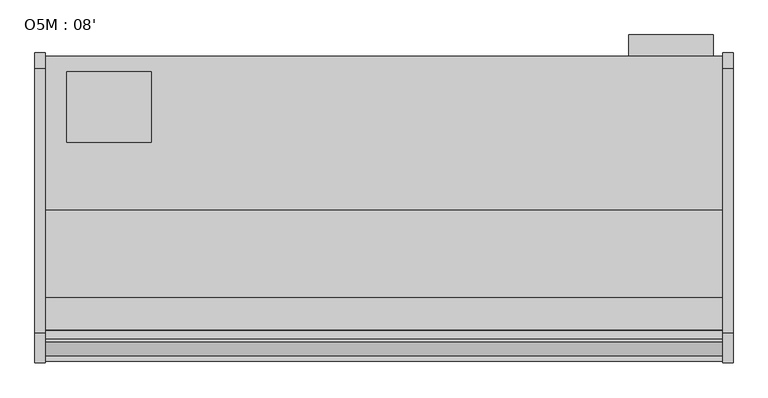
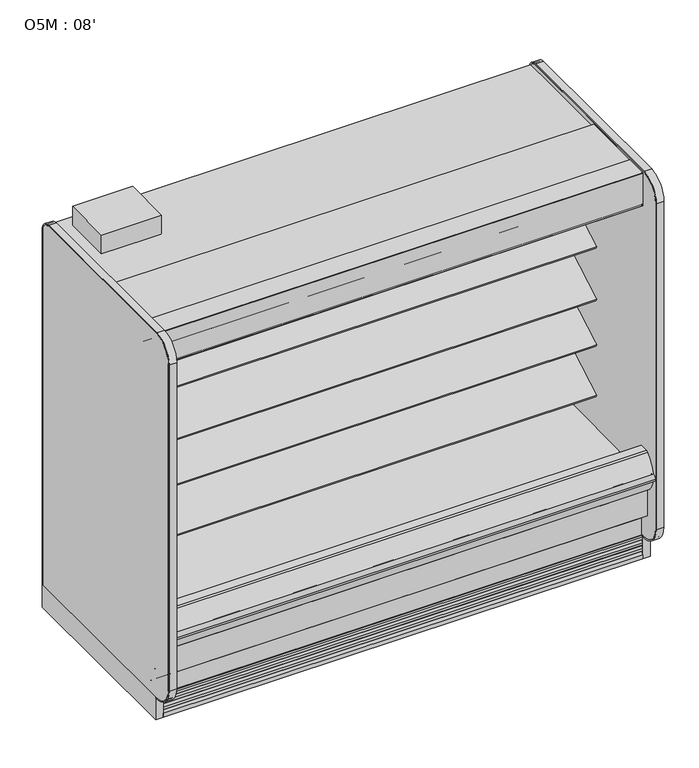
"""IFC4 building model written with IfcOpenShell, lengths in millimetres: proxy geometry, O5M : 08'."""

from ifc_helpers import new_model, si_unit, point, frame, frame_2d, origin, origin_with_axes, place, context, project, spatial, polyline, circle_curve, trimmed, segment, composite_curve, outline, extrude, faceted_brep, source, transform, mapped, element, save
from ifc_brep_helpers import plane_surface, cylinder_surface, revolved_surface, advanced_brep


def o5m_08_895fdb85(model_context):
    return source(origin(), model_context, "Body", "SolidModel", [
        extrude(outline(polyline([(2405.2746572, -325.3089273), (2405.2746572, -401.5089273), (2100.4156609, -401.5089273), (2100.4156609, -325.3089273), (2405.2746572, -325.3089273)])), frame((0.0, 0.0, 487.7641214), z_axis=(0.0, 0.0, 1.0), x_axis=(1.0, 0.0, 0.0)), (0.0, 0.0, 1.0), 1371.6),
        extrude(outline(polyline([(381.0, -458.6589273), (381.0, -712.6589273), (76.2, -712.6589273), (76.2, -458.6589273), (381.0, -458.6589273)])), frame((0.0, 0.0, 2053.8264246), z_axis=(0.0, 0.0, 1.0), x_axis=(1.0, 0.0, 0.0)), (0.0, 0.0, 1.0), 101.6),
        extrude(outline(composite_curve([segment(polyline([(-1223.3628541, 1962.3210235), (-1255.895115, 1950.4802489)]), True, "CONTINUOUS"), segment(trimmed(circle_curve(frame_2d((-1256.3757176, 1951.8006938)), 1.4051881), [point((-1255.895115, 1950.4802489))], [point((-1256.9695758, 1950.5271609))], False, "CARTESIAN"), True, "CONTINUOUS"), segment(polyline([(-1256.9695758, 1950.5271609), (-1280.8329852, 1961.6548515)]), True, "CONTINUOUS"), segment(trimmed(circle_curve(frame_2d((-1281.445949, 1960.3403465)), 1.4503958), [point((-1280.8329852, 1961.6548515))], [point((-1281.7308358, 1961.7624883))], True, "CARTESIAN"), True, "CONTINUOUS"), segment(polyline([(-1281.7308358, 1961.7624883), (-1385.7279137, 1933.8965553), (-1386.0503089, 1932.9043249), (-1386.0503089, 1919.5570618), (-1386.9647089, 1919.5570618), (-1386.9647089, 1903.1893853)]), True, "CONTINUOUS"), segment(trimmed(circle_curve(frame_2d((-1385.3772089, 1903.1893853)), 1.5875), [point((-1386.9647089, 1903.1893853))], [point((-1385.8940483, 1901.6883745))], True, "CARTESIAN"), True, "CONTINUOUS"), segment(polyline([(-1385.8940483, 1901.6883745), (-1375.7025605, 1898.1791638)]), True, "CONTINUOUS"), segment(trimmed(circle_curve(frame_2d((-1375.1857211, 1899.6801746)), 1.5875), [point((-1375.7025605, 1898.1791638))], [point((-1374.0631891, 1898.5576426))], True, "CARTESIAN"), True, "CONTINUOUS"), segment(polyline([(-1374.0631891, 1898.5576426), (-1370.6686523, 1901.9521794), (-1370.1043685, 1901.3878956), (-1373.6142806, 1898.1085254)]), True, "CONTINUOUS"), segment(trimmed(circle_curve(frame_2d((-1375.1856584, 1899.6799031)), 2.2222637), [point((-1373.6142806, 1898.1085254))], [point((-1375.9092963, 1897.5787596))], False, "CARTESIAN"), True, "CONTINUOUS"), segment(polyline([(-1375.9092963, 1897.5787596), (-1386.1540366, 1901.1070681)]), True, "CONTINUOUS"), segment(trimmed(circle_curve(frame_2d((-1385.3772089, 1903.1893853)), 2.2225), [point((-1386.1540366, 1901.1070681))], [point((-1387.5997089, 1903.1893853))], False, "CARTESIAN"), True, "CONTINUOUS"), segment(polyline([(-1387.5997089, 1903.1893853), (-1387.5997089, 2005.4901368), (-1352.415, 2053.8264246), (-1280.5248155, 2053.8264246), (-1280.5248155, 2003.6360246), (-1220.831024, 2003.6360246), (-1220.831024, 1914.23035)]), True, "CONTINUOUS"), segment(trimmed(circle_curve(frame_2d((-1218.9441858, 1914.23035)), 1.8868382), [point((-1220.831024, 1914.23035))], [point((-1219.3143335, 1912.3801746))], True, "CARTESIAN"), True, "CONTINUOUS"), segment(polyline([(-1219.3143335, 1912.3801746), (-1211.3098155, 1912.3801746), (-1211.3098155, 1911.5761369), (-1220.1967179, 1911.5761369)]), True, "CONTINUOUS"), segment(trimmed(circle_curve(frame_2d((-1220.1967179, 1913.8074915)), 2.2313546), [point((-1220.1967179, 1911.5761369))], [point((-1222.4223155, 1913.9676746))], False, "CARTESIAN"), True, "CONTINUOUS"), segment(polyline([(-1222.4223155, 1913.9676746), (-1222.4223155, 1917.7806084), (-1223.2619623, 1917.5556257), (-1229.5259839, 1917.5556257), (-1229.5259839, 1918.4700257), (-1223.4631915, 1918.4700257), (-1222.7791089, 1918.864981), (-1222.7791089, 1961.9122807)]), True, "CONTINUOUS"), segment(trimmed(circle_curve(frame_2d((-1223.2140839, 1961.9122807)), 0.434975), [point((-1222.7791089, 1961.9122807))], [point((-1223.3628541, 1962.3210235))], True, "CARTESIAN"), True, "CONTINUOUS")], self_intersect=False)), frame((0.0, 0.0, 0.0), z_axis=(1.0, 0.0, 0.0), x_axis=(0.0, 1.0, 0.0)), (0.0, 0.0, 1.0), 2438.4),
        extrude(outline(composite_curve([segment(polyline([(-1272.4996089, 2072.8764246), (-1272.4996089, 2072.0890246), (-1386.8059589, 2072.0890246)]), True, "CONTINUOUS"), segment(trimmed(circle_curve(frame_2d((-1386.8059589, 2071.2952746)), 0.79375), [point((-1386.8059589, 2072.0890246))], [point((-1387.5997089, 2071.2952746))], True, "CARTESIAN"), True, "CONTINUOUS"), segment(polyline([(-1387.5997089, 2071.2952746), (-1387.5997089, 1896.6893246)]), True, "CONTINUOUS"), segment(trimmed(circle_curve(frame_2d((-1386.8059589, 1896.6893246)), 0.79375), [point((-1387.5997089, 1896.6893246))], [point((-1386.8059589, 1895.8955746))], True, "CARTESIAN"), True, "CONTINUOUS"), segment(polyline([(-1386.8059589, 1895.8955746), (-1363.7745089, 1895.8955746)]), True, "CONTINUOUS"), segment(trimmed(circle_curve(frame_2d((-1363.7745089, 1896.6893246)), 0.79375), [point((-1363.7745089, 1895.8955746))], [point((-1362.9807589, 1896.6893246))], True, "CARTESIAN"), True, "CONTINUOUS"), segment(polyline([(-1362.9807589, 1896.6893246), (-1362.9807589, 1907.8081746), (-1362.1933589, 1907.8081746), (-1362.1933589, 1896.6893246)]), True, "CONTINUOUS"), segment(trimmed(circle_curve(frame_2d((-1363.7745089, 1896.6893246)), 1.58115), [point((-1362.1933589, 1896.6893246))], [point((-1363.7745089, 1895.1081746))], False, "CARTESIAN"), True, "CONTINUOUS"), segment(polyline([(-1363.7745089, 1895.1081746), (-1386.8059589, 1895.1081746)]), True, "CONTINUOUS"), segment(trimmed(circle_curve(frame_2d((-1386.8059589, 1896.6893246)), 1.58115), [point((-1386.8059589, 1895.1081746))], [point((-1388.3871089, 1896.6893246))], False, "CARTESIAN"), True, "CONTINUOUS"), segment(polyline([(-1388.3871089, 1896.6893246), (-1388.3871089, 2071.2952746)]), True, "CONTINUOUS"), segment(trimmed(circle_curve(frame_2d((-1386.8059589, 2071.2952746)), 1.58115), [point((-1388.3871089, 2071.2952746))], [point((-1386.8059589, 2072.8764246))], False, "CARTESIAN"), True, "CONTINUOUS"), segment(polyline([(-1386.8059589, 2072.8764246), (-1272.4996089, 2072.8764246)]), True, "CONTINUOUS")], self_intersect=False)), frame((0.0, 0.0, 0.0), z_axis=(1.0, 0.0, 0.0), x_axis=(0.0, 1.0, 0.0)), (0.0, 0.0, 1.0), 2438.4),
        extrude(outline(composite_curve([segment(trimmed(circle_curve(frame_2d((2238.9213661, -1128.5839273)), 12.7), [point((2226.2213661, -1128.5839273))], [point((2251.6213661, -1128.5839273))], False, "CARTESIAN"), True, "CONTINUOUS"), segment(trimmed(circle_curve(frame_2d((2238.9213661, -1128.5839273)), 12.7), [point((2251.6213661, -1128.5839273))], [point((2226.2213661, -1128.5839273))], False, "CARTESIAN"), True, "CONTINUOUS")], self_intersect=False)), frame((0.0, 0.0, 66.7090149), z_axis=(0.0, 0.0, 1.0), x_axis=(1.0, 0.0, 0.0)), (0.0, 0.0, 1.0), 57.1159851),
        extrude(outline(composite_curve([segment(trimmed(circle_curve(frame_2d((2189.4446927, -1128.5839273)), 9.525), [point((2179.9196927, -1128.5839273))], [point((2198.9696927, -1128.5839273))], False, "CARTESIAN"), True, "CONTINUOUS"), segment(trimmed(circle_curve(frame_2d((2189.4446927, -1128.5839273)), 9.525), [point((2198.9696927, -1128.5839273))], [point((2179.9196927, -1128.5839273))], False, "CARTESIAN"), True, "CONTINUOUS")], self_intersect=False)), frame((0.0, 0.0, 66.7090149), z_axis=(0.0, 0.0, 1.0), x_axis=(1.0, 0.0, 0.0)), (0.0, 0.0, 1.0), 57.1159851),
        extrude(outline(composite_curve([segment(polyline([(-504.9331995, 1155.9321635), (-504.9331995, 1090.8241822), (-525.0625548, 1079.2024935)]), True, "CONTINUOUS"), segment(trimmed(circle_curve(frame_2d((-538.1347002, 1100.9804414)), 25.4), [point((-525.0625548, 1079.2024935))], [point((-542.0987552, 1075.8916737))], False, "CARTESIAN"), True, "CONTINUOUS"), segment(polyline([(-542.0987552, 1075.8916737), (-564.7817265, 1079.47561)]), True, "CONTINUOUS"), segment(trimmed(circle_curve(frame_2d((-574.6918641, 1016.7536906)), 63.5), [point((-564.7817265, 1079.47561))], [point((-599.3555643, 1075.2682349))], True, "CARTESIAN"), True, "CONTINUOUS"), segment(polyline([(-599.3555643, 1075.2682349), (-848.9833062, 958.5086882), (-851.9929005, 960.7439055), (-975.1938258, 889.6138181), (-982.3058258, 901.9321635), (-542.3649207, 1155.9321635), (-504.9331995, 1155.9321635)]), True, "CONTINUOUS")], self_intersect=False)), frame((0.0, 0.0, 0.0), z_axis=(1.0, 0.0, 0.0), x_axis=(0.0, 1.0, 0.0)), (0.0, 0.0, 1.0), 2438.4),
        extrude(outline(composite_curve([segment(polyline([(-504.9331995, 883.8140898), (-504.9331995, 818.7061085), (-525.0625548, 807.0844198)]), True, "CONTINUOUS"), segment(trimmed(circle_curve(frame_2d((-538.1347002, 828.8623677)), 25.4), [point((-525.0625548, 807.0844198))], [point((-542.0987552, 803.7736))], False, "CARTESIAN"), True, "CONTINUOUS"), segment(polyline([(-542.0987552, 803.7736), (-564.7817265, 807.3575363)]), True, "CONTINUOUS"), segment(trimmed(circle_curve(frame_2d((-574.6918641, 744.6356169)), 63.5), [point((-564.7817265, 807.3575363))], [point((-599.3555643, 803.1501612))], True, "CARTESIAN"), True, "CONTINUOUS"), segment(polyline([(-599.3555643, 803.1501612), (-848.9833062, 686.3906146), (-851.9929005, 688.6258319), (-975.1938258, 617.4957444), (-982.3058258, 629.8140898), (-542.3649207, 883.8140898), (-504.9331995, 883.8140898)]), True, "CONTINUOUS")], self_intersect=False)), frame((0.0, 0.0, 0.0), z_axis=(1.0, 0.0, 0.0), x_axis=(0.0, 1.0, 0.0)), (0.0, 0.0, 1.0), 2438.4),
        extrude(outline(composite_curve([segment(polyline([(-504.9331995, 1400.2899942), (-504.9331995, 1335.182013), (-525.0625548, 1323.5603243)]), True, "CONTINUOUS"), segment(trimmed(circle_curve(frame_2d((-538.1347002, 1345.3382722)), 25.4), [point((-525.0625548, 1323.5603243))], [point((-542.0987552, 1320.2495044))], False, "CARTESIAN"), True, "CONTINUOUS"), segment(polyline([(-542.0987552, 1320.2495044), (-564.7817265, 1323.8334408)]), True, "CONTINUOUS"), segment(trimmed(circle_curve(frame_2d((-574.6918641, 1261.1115214)), 63.5), [point((-564.7817265, 1323.8334408))], [point((-599.3555643, 1319.6260657))], True, "CARTESIAN"), True, "CONTINUOUS"), segment(polyline([(-599.3555643, 1319.6260657), (-848.9833062, 1202.866519), (-851.9929005, 1205.1017363), (-975.1938258, 1133.9716489), (-982.3058258, 1146.2899942), (-542.3649207, 1400.2899942), (-504.9331995, 1400.2899942)]), True, "CONTINUOUS")], self_intersect=False)), frame((0.0, 0.0, 0.0), z_axis=(1.0, 0.0, 0.0), x_axis=(0.0, 1.0, 0.0)), (0.0, 0.0, 1.0), 2438.4),
        extrude(outline(polyline([(711.2, -1346.7911816), (403.225, -1346.7911816), (403.225, -1249.5865659), (711.2, -1249.5865659), (711.2, -1346.7911816)])), frame((0.0, 0.0, 53.2186364), z_axis=(0.0, 0.0, 1.0), x_axis=(1.0, 0.0, 0.0)), (0.0, 0.0, 1.0), 9.8914),
        faceted_brep([(2438.4, -1207.9589273, 130.175), (2438.4, -1275.0830824, 130.175), (2438.4, -1369.8839273, 206.7143253), (2438.4, -1369.8839273, 10.9768116), (2438.4, -1207.9589273, 10.9768116), (0.0, -1207.9589273, 130.175), (0.0, -1207.9589273, 10.9768116), (0.0, -1369.8839273, 10.9768116), (0.0, -1369.8839273, 206.7143253), (0.0, -1275.0830824, 130.175), (711.2, -1346.7911816, 10.9768116), (711.2, -1249.5865659, 10.9768116), (403.225, -1249.5865659, 10.9768116), (403.225, -1346.7911816, 10.9768116), (711.2, -1346.7911816, 63.1100364), (403.225, -1346.7911816, 63.1100364), (403.225, -1249.5865659, 63.1100364), (711.2, -1249.5865659, 63.1100364)], [[[0, 1, 2, 3, 4]], [[5, 6, 7, 8, 9]], [[1, 0, 5, 9]], [[2, 1, 9, 8]], [[3, 2, 8, 7]], [[4, 3, 7, 6], [10, 11, 12, 13]], [[0, 4, 6, 5]], [[14, 15, 16, 17]], [[14, 17, 11, 10]], [[17, 16, 12, 11]], [[16, 15, 13, 12]], [[15, 14, 10, 13]]]),
        extrude(outline(composite_curve([segment(trimmed(circle_curve(frame_2d((368.3, 2358.8090336)), 12.7), [point((368.3, 2371.5090336))], [point((368.3, 2346.1090336))], False, "CARTESIAN"), True, "CONTINUOUS"), segment(trimmed(circle_curve(frame_2d((368.3, 2358.8090336)), 12.7), [point((368.3, 2346.1090336))], [point((368.3, 2371.5090336))], False, "CARTESIAN"), True, "CONTINUOUS")], self_intersect=False)), frame((0.0, -447.5561252, 0.0), z_axis=(0.0, 1.0, 0.0), x_axis=(0.0, 0.0, 1.0)), (0.0, 0.0, 1.0), 52.3971979),
        extrude(outline(composite_curve([segment(trimmed(circle_curve(frame_2d((368.3, 2320.3972115)), 9.525), [point((368.3, 2329.9222115))], [point((368.3, 2310.8722115))], False, "CARTESIAN"), True, "CONTINUOUS"), segment(trimmed(circle_curve(frame_2d((368.3, 2320.3972115)), 9.525), [point((368.3, 2310.8722115))], [point((368.3, 2329.9222115))], False, "CARTESIAN"), True, "CONTINUOUS")], self_intersect=False)), frame((0.0, -447.5561252, 0.0), z_axis=(0.0, 1.0, 0.0), x_axis=(0.0, 0.0, 1.0)), (0.0, 0.0, 1.0), 52.3971979),
        extrude(outline(composite_curve([segment(polyline([(-451.7851762, 2003.6360246), (-451.7851762, 404.745884), (-504.9331995, 404.745884), (-504.9331995, 1926.7316344)]), True, "CONTINUOUS"), segment(trimmed(circle_curve(frame_2d((-530.2144075, 1924.2779595)), 25.4), [point((-504.9331995, 1926.7316344))], [point((-530.1770065, 1949.6779319))], True, "CARTESIAN"), True, "CONTINUOUS"), segment(polyline([(-530.1770065, 1949.6779319), (-1117.9341687, 1949.6779319), (-1117.9341687, 1918.6360743)]), True, "CONTINUOUS"), segment(trimmed(circle_curve(frame_2d((-1120.1564596, 1918.6360743)), 2.2222909), [point((-1117.9341687, 1918.6360743))], [point((-1120.1564596, 1916.4137834))], False, "CARTESIAN"), True, "CONTINUOUS"), segment(polyline([(-1120.1564596, 1916.4137834), (-1129.6207909, 1916.4137834)]), True, "CONTINUOUS"), segment(trimmed(circle_curve(frame_2d((-1129.6207909, 1916.7312834)), 0.3175), [point((-1129.6207909, 1916.4137834))], [point((-1129.6207909, 1917.0487834))], False, "CARTESIAN"), True, "CONTINUOUS"), segment(polyline([(-1129.6207909, 1917.0487834), (-1120.1566687, 1917.0487834)]), True, "CONTINUOUS"), segment(trimmed(circle_curve(frame_2d((-1120.1566687, 1918.6362834)), 1.5875), [point((-1120.1566687, 1917.0487834))], [point((-1118.5691687, 1918.6362834))], True, "CARTESIAN"), True, "CONTINUOUS"), segment(polyline([(-1118.5691687, 1918.6362834), (-1118.5691687, 1942.4487846), (-1220.1998155, 1942.4487846), (-1220.1998155, 1918.6362834)]), True, "CONTINUOUS"), segment(trimmed(circle_curve(frame_2d((-1218.6123155, 1918.6362834)), 1.5875), [point((-1220.1998155, 1918.6362834))], [point((-1218.6123155, 1917.0487834))], True, "CARTESIAN"), True, "CONTINUOUS"), segment(polyline([(-1218.6123155, 1917.0487834), (-1209.9959099, 1917.0487834)]), True, "CONTINUOUS"), segment(trimmed(circle_curve(frame_2d((-1209.9959099, 1916.7312834)), 0.3175), [point((-1209.9959099, 1917.0487834))], [point((-1209.9959099, 1916.4137834))], False, "CARTESIAN"), True, "CONTINUOUS"), segment(polyline([(-1209.9959099, 1916.4137834), (-1218.6125246, 1916.4137834)]), True, "CONTINUOUS"), segment(trimmed(circle_curve(frame_2d((-1218.6125246, 1918.6360743)), 2.2222909), [point((-1218.6125246, 1916.4137834))], [point((-1220.8348155, 1918.6362834))], False, "CARTESIAN"), True, "CONTINUOUS"), segment(polyline([(-1220.8348155, 1918.6362834), (-1220.8268179, 2003.6360246), (-451.7851762, 2003.6360246)]), True, "CONTINUOUS")], self_intersect=False)), frame((0.0, 0.0, 0.0), z_axis=(1.0, 0.0, 0.0), x_axis=(0.0, 1.0, 0.0)), (0.0, 0.0, 1.0), 2438.4),
        advanced_brep(
        [(2438.4, -1428.7889874, 391.24255), (2438.4, -1428.7889874, 254.2724833), (2438.4, -1275.0830824, 130.175), (2438.4, -401.5089273, 130.175), (2438.4, -401.5089273, 2053.8264246), (2438.4, -1280.5248155, 2053.8264246), (2438.4, -1280.5248155, 2003.6360246), (2438.4, -451.7851762, 2003.6360246), (2438.4, -451.7851762, 363.9695251), (2438.4, -599.5014929, 211.662363), (2438.4, -1043.5931205, 195.6779213), (2438.4, -1096.7050237, 157.095884), (2438.4, -1163.5210307, 157.095884), (2438.4, -1221.5656168, 189.2720563), (2438.4, -1379.2843872, 341.5792153), (2438.4, -1379.2843872, 391.24255), (0.0, -1428.7889874, 391.24255), (0.0, -1379.2843872, 391.24255), (0.0, -1379.2843872, 341.5792153), (0.0, -1221.5656168, 189.2720563), (0.0, -1163.5210307, 157.095884), (0.0, -1096.7050237, 157.095884), (0.0, -1043.5931205, 195.6779213), (0.0, -599.5014929, 211.662363), (0.0, -451.7851762, 363.9695251), (0.0, -451.7851762, 2003.6360246), (0.0, -1280.5248155, 2003.6360246), (0.0, -1280.5248155, 2053.8264246), (0.0, -401.5089273, 2053.8264246), (0.0, -401.5089273, 130.175), (0.0, -1275.0830824, 130.175), (0.0, -1428.7889874, 254.2724833), (2336.8, -401.5089273, 317.5), (2336.8, -401.5089273, 419.1), (2336.8, -447.5561252, 317.5), (2336.8, -447.5561252, 419.1)],
        [
            (0, 1),
            (1, 2),
            (2, 3),
            (3, 4),
            (4, 5),
            (5, 6),
            (6, 7),
            (7, 8),
            (8, 9, circle_curve(frame((2438.4, -605.0132276, 364.7934683), z_axis=(-1.0, 0.0, 0.0), x_axis=(0.0, 1.0, 0.0)), 153.2302667)),
            (9, 10),
            (10, 11),
            (11, 12),
            (12, 13),
            (13, 14, circle_curve(frame((2438.4, -1226.8843872, 341.5792153), z_axis=(-1.0, 0.0, 0.0), x_axis=(0.0, 1.0, 0.0)), 152.4)),
            (14, 15),
            (15, 0),
            (16, 17),
            (17, 18),
            (18, 19, circle_curve(frame((0.0, -1226.8843872, 341.5792153), z_axis=(1.0, 0.0, 0.0), x_axis=(0.0, 1.0, 0.0)), 152.4)),
            (19, 20),
            (20, 21),
            (21, 22),
            (22, 23),
            (23, 24, circle_curve(frame((0.0, -605.0132276, 364.7934683), z_axis=(1.0, 0.0, 0.0), x_axis=(0.0, 1.0, 0.0)), 153.2302667)),
            (24, 25),
            (25, 26),
            (26, 27),
            (27, 28),
            (28, 29),
            (29, 30),
            (30, 31),
            (31, 16),
            (0, 16),
            (31, 1),
            (30, 2),
            (29, 3),
            (28, 4),
            (32, 33, circle_curve(frame((2336.8, -401.5089273, 368.3), z_axis=(0.0, -1.0, 0.0), x_axis=(0.0, 0.0, 1.0)), 50.8)),
            (33, 32, circle_curve(frame((2336.8, -401.5089273, 368.3), z_axis=(0.0, -1.0, 0.0), x_axis=(0.0, 0.0, 1.0)), 50.8)),
            (27, 5),
            (26, 6),
            (25, 7),
            (24, 8),
            (23, 9),
            (22, 10),
            (21, 11),
            (20, 12),
            (19, 13),
            (18, 14),
            (17, 15),
            (34, 35, circle_curve(frame((2336.8, -447.5561252, 368.3), z_axis=(0.0, 1.0, 0.0), x_axis=(0.0, 0.0, 1.0)), 50.8)),
            (35, 34, circle_curve(frame((2336.8, -447.5561252, 368.3), z_axis=(0.0, 1.0, 0.0), x_axis=(0.0, 0.0, 1.0)), 50.8)),
            (35, 33),
            (32, 34),
        ],
        [
            plane_surface(frame((2438.4, -1428.7889874, 254.2724833), z_axis=(1.0, 0.0, 0.0), x_axis=(0.0, 0.0, -1.0))),
            plane_surface(frame((0.0, -1428.7889874, 254.2724833), z_axis=(-1.0, 0.0, 0.0), x_axis=(0.0, 0.0, 1.0))),
            plane_surface(frame((2438.4, -1428.7889874, 391.24255), z_axis=(0.0, -1.0, 0.0), x_axis=(-1.0, 0.0, 0.0))),
            plane_surface(frame((2438.4, -1428.7889874, 254.2724833), z_axis=(0.0, -0.6281851642637378, -0.7780638787393622), x_axis=(-1.0, 0.0, 0.0))),
            plane_surface(frame((2438.4, -1275.0830824, 130.175), z_axis=(0.0, 0.0, -1.0), x_axis=(-1.0, 0.0, 0.0))),
            plane_surface(frame((2438.4, -401.5089273, 130.175), z_axis=(0.0, 1.0, 0.0), x_axis=(-1.0, 0.0, 0.0))),
            plane_surface(frame((2438.4, -401.5089273, 2053.8264246), z_axis=(0.0, 0.0, 1.0), x_axis=(-1.0, 0.0, 0.0))),
            plane_surface(frame((2438.4, -1280.5248155, 2053.8264246), z_axis=(0.0, -1.0, 0.0), x_axis=(-1.0, 0.0, 0.0))),
            plane_surface(frame((2438.4, -1280.5248155, 2003.6360246), z_axis=(0.0, 0.0, -1.0), x_axis=(-1.0, 0.0, 0.0))),
            plane_surface(frame((2438.4, -451.7851762, 2003.6360246), z_axis=(0.0, -1.0, 0.0), x_axis=(-1.0, 0.0, 0.0))),
            revolved_surface(polyline([(0.0, -451.78296090000003, 364.7934683), (2438.4, -451.78296090000003, 364.7934683)]), (0.0, -605.0132276, 364.7934683), (-1.0, 0.0, 0.0)),
            plane_surface(frame((2438.4, -599.5014929, 211.662363), z_axis=(0.0, -0.035970274152171335, 0.9993528602938092), x_axis=(-1.0, 0.0, 0.0))),
            plane_surface(frame((2438.4, -1043.5931205, 195.6779213), z_axis=(0.0, -0.5877252382160976, 0.8090605937529224), x_axis=(-1.0, 0.0, 0.0))),
            plane_surface(frame((2438.4, -1096.7050237, 157.095884), z_axis=(0.0, 0.0, 1.0), x_axis=(-1.0, 0.0, 0.0))),
            plane_surface(frame((2438.4, -1163.5210307, 157.095884), z_axis=(0.0, 0.48482728759131516, 0.8746099137368889), x_axis=(-1.0, 0.0, 0.0))),
            revolved_surface(polyline([(0.0, -1074.4843872, 341.5792153), (2438.4, -1074.4843872, 341.5792153)]), (0.0, -1226.8843872, 341.5792153), (-1.0, 0.0, 0.0)),
            plane_surface(frame((2438.4, -1379.2843872, 341.5792153), z_axis=(0.0, 1.0, 0.0), x_axis=(-1.0, 0.0, 0.0))),
            plane_surface(frame((2438.4, -1379.2843872, 391.24255), z_axis=(0.0, 0.0, 1.0), x_axis=(-1.0, 0.0, 0.0))),
            plane_surface(frame((2336.8, -447.5561252, 419.1), z_axis=(0.0, 1.0, 0.0), x_axis=(-1.0, 0.0, 0.0))),
            revolved_surface(polyline([(2336.8, -447.5561252, 419.1), (2336.8, -401.5089273, 419.1)]), (2336.8, -401.5089273, 368.3), (0.0, -1.0, 0.0)),
        ],
        [
            (0, [[1, 2, 3, 4, 5, 6, 7, 8, 9, 10, 11, 12, 13, 14, 15, 16]]),
            (1, [[17, 18, 19, 20, 21, 22, 23, 24, 25, 26, 27, 28, 29, 30, 31, 32]]),
            (2, [[-1, 33, -32, 34]]),
            (3, [[-2, -34, -31, 35]]),
            (4, [[-3, -35, -30, 36]]),
            (5, [[-4, -36, -29, 37], [38, 39]]),
            (6, [[-5, -37, -28, 40]]),
            (7, [[-6, -40, -27, 41]]),
            (8, [[-7, -41, -26, 42]]),
            (9, [[-8, -42, -25, 43]]),
            (10, [[-9, -43, -24, 44]]),
            (11, [[-10, -44, -23, 45]]),
            (12, [[-11, -45, -22, 46]]),
            (13, [[-12, -46, -21, 47]]),
            (14, [[-13, -47, -20, 48]]),
            (15, [[-14, -48, -19, 49]]),
            (16, [[-15, -49, -18, 50]]),
            (17, [[-16, -50, -17, -33]]),
            (18, [[51, 52]]),
            (19, [[-52, 53, -38, 54]]),
            (19, [[-51, -54, -39, -53]]),
        ],
    ),
        advanced_brep(
        [(2438.4, -1221.5656168, 189.2720563), (2438.4, -1163.5210307, 157.095884), (2438.4, -1096.7050237, 157.095884), (2438.4, -1043.5931205, 195.6779213), (2438.4, -599.5014929, 211.662363), (2438.4, -451.7851762, 363.9695251), (2438.4, -451.7851762, 404.745884), (2438.4, -504.9543965, 404.745884), (2438.4, -504.9543965, 468.8781737), (2438.4, -516.6398058, 457.951581), (2438.4, -611.5826347, 451.2993262), (2438.4, -611.5826347, 459.5548668), (2438.4, -1324.1043965, 447.1177532), (2438.4, -1324.1043965, 521.1947919), (2438.4, -1379.2843872, 521.1947919), (2438.4, -1379.2843872, 341.5792153), (0.0, -1221.5656168, 189.2720563), (0.0, -1379.2843872, 341.5792153), (0.0, -1379.2843872, 521.1947919), (0.0, -1324.1043965, 521.1947919), (0.0, -1324.1043965, 447.1177532), (0.0, -611.5826347, 459.5548668), (0.0, -611.5826347, 451.2993262), (0.0, -516.6285003, 457.9391661), (0.0, -504.9543965, 468.8781737), (0.0, -504.9543965, 404.745884), (0.0, -451.7851762, 404.745884), (0.0, -451.7851762, 363.9695251), (0.0, -599.5014929, 211.662363), (0.0, -1043.5931205, 195.6779213), (0.0, -1096.7050237, 157.095884), (0.0, -1163.5210307, 157.095884)],
        [
            (0, 1),
            (1, 2),
            (2, 3),
            (3, 4),
            (4, 5, circle_curve(frame((2438.4, -605.0132276, 364.7934683), z_axis=(1.0, 0.0, 0.0), x_axis=(0.0, 1.0, 0.0)), 153.2302667)),
            (5, 6),
            (6, 7),
            (7, 8),
            (8, 9, circle_curve(frame((2438.4, -517.5249667, 470.6099714), z_axis=(-1.0, 0.0, 0.0), x_axis=(0.0, 1.0, 0.0)), 12.689301)),
            (9, 10),
            (10, 11),
            (11, 12),
            (12, 13),
            (13, 14),
            (14, 15),
            (15, 0, circle_curve(frame((2438.4, -1226.8843872, 341.5792153), z_axis=(1.0, 0.0, 0.0), x_axis=(0.0, 1.0, 0.0)), 152.4)),
            (16, 17, circle_curve(frame((0.0, -1226.8843872, 341.5792153), z_axis=(-1.0, 0.0, 0.0), x_axis=(0.0, 1.0, 0.0)), 152.4)),
            (17, 18),
            (18, 19),
            (19, 20),
            (20, 21),
            (21, 22),
            (22, 23),
            (23, 24, circle_curve(frame((0.0, -517.5249667, 470.6099714), z_axis=(1.0, 0.0, 0.0), x_axis=(0.0, 1.0, 0.0)), 12.689301)),
            (24, 25),
            (25, 26),
            (26, 27),
            (27, 28, circle_curve(frame((0.0, -605.0132276, 364.7934683), z_axis=(-1.0, 0.0, 0.0), x_axis=(0.0, 1.0, 0.0)), 153.2302667)),
            (28, 29),
            (29, 30),
            (30, 31),
            (31, 16),
            (14, 18),
            (17, 15),
            (16, 0),
            (31, 1),
            (30, 2),
            (29, 3),
            (28, 4),
            (27, 5),
            (26, 6),
            (25, 7),
            (24, 8),
            (23, 9),
            (22, 10),
            (21, 11),
            (20, 12),
            (19, 13),
        ],
        [
            plane_surface(frame((2438.4, -1221.5656168, 189.2720563), z_axis=(1.0, 0.0, 0.0), x_axis=(0.0, 0.8746099137368883, -0.48482728759131605))),
            plane_surface(frame((0.0, -1221.5656168, 189.2720563), z_axis=(-1.0, 0.0, 0.0), x_axis=(0.0, -0.8746099137368883, 0.48482728759131605))),
            plane_surface(frame((2438.4, -1379.2843872, 521.1947919), z_axis=(0.0, -1.0, 0.0), x_axis=(-1.0, 0.0, 0.0))),
            cylinder_surface(frame((0.0, -1226.8843872, 341.5792153), z_axis=(1.0, 0.0, 0.0), x_axis=(0.0, 1.0, 0.0)), 152.4),
            plane_surface(frame((2438.4, -1221.5656168, 189.2720563), z_axis=(0.0, -0.48482728759131605, -0.8746099137368883), x_axis=(-1.0, 0.0, 0.0))),
            plane_surface(frame((2438.4, -1163.5210307, 157.095884), z_axis=(0.0, 0.0, -1.0), x_axis=(-1.0, 0.0, 0.0))),
            plane_surface(frame((2438.4, -1096.7050237, 157.095884), z_axis=(0.0, 0.5877252382160976, -0.8090605937529224), x_axis=(-1.0, 0.0, 0.0))),
            plane_surface(frame((2438.4, -1043.5931205, 195.6779213), z_axis=(0.0, 0.03597027415217135, -0.9993528602938092), x_axis=(-1.0, 0.0, 0.0))),
            cylinder_surface(frame((0.0, -605.0132276, 364.7934683), z_axis=(1.0, 0.0, 0.0), x_axis=(0.0, 1.0, 0.0)), 153.2302667),
            plane_surface(frame((2438.4, -451.7851762, 363.9695251), z_axis=(0.0, 1.0, 0.0), x_axis=(-1.0, 0.0, 0.0))),
            plane_surface(frame((2438.4, -451.7851762, 404.745884), z_axis=(0.0, 0.0, 1.0), x_axis=(-1.0, 0.0, 0.0))),
            plane_surface(frame((2438.4, -504.9543965, 404.745884), z_axis=(0.0, 1.0, 0.0), x_axis=(-1.0, 0.0, 0.0))),
            revolved_surface(polyline([(0.0, -504.83566570000005, 470.6099714), (2438.4, -504.83566570000005, 470.6099714)]), (0.0, -517.5249667, 470.6099714), (-1.0, 0.0, 0.0)),
            plane_surface(frame((2438.4, -516.6285003, 457.9391661), z_axis=(0.0, -0.06975647369769093, 0.9975640502630714), x_axis=(-1.0, 0.0, 0.0))),
            plane_surface(frame((2438.4, -611.5826347, 451.2993262), z_axis=(0.0, 1.0, 0.0), x_axis=(-1.0, 0.0, 0.0))),
            plane_surface(frame((2438.4, -611.5826347, 459.5548668), z_axis=(0.0, -0.017452406437283387, 0.9998476951563913), x_axis=(-1.0, 0.0, 0.0))),
            plane_surface(frame((2438.4, -1324.1043965, 447.1177532), z_axis=(0.0, 1.0, 0.0), x_axis=(-1.0, 0.0, 0.0))),
            plane_surface(frame((2438.4, -1324.1043965, 521.1947919), z_axis=(0.0, 0.0, 1.0), x_axis=(-1.0, 0.0, 0.0))),
        ],
        [
            (0, [[1, 2, 3, 4, 5, 6, 7, 8, 9, 10, 11, 12, 13, 14, 15, 16]]),
            (1, [[17, 18, 19, 20, 21, 22, 23, 24, 25, 26, 27, 28, 29, 30, 31, 32]]),
            (2, [[-15, 33, -18, 34]]),
            (3, [[-16, -34, -17, 35]]),
            (4, [[-1, -35, -32, 36]]),
            (5, [[-2, -36, -31, 37]]),
            (6, [[-3, -37, -30, 38]]),
            (7, [[-4, -38, -29, 39]]),
            (8, [[-5, -39, -28, 40]]),
            (9, [[-6, -40, -27, 41]]),
            (10, [[-7, -41, -26, 42]]),
            (11, [[-8, -42, -25, 43]]),
            (12, [[-9, -43, -24, 44]]),
            (13, [[-10, -44, -23, 45]]),
            (14, [[-11, -45, -22, 46]]),
            (15, [[-12, -46, -21, 47]]),
            (16, [[-13, -47, -20, 48]]),
            (17, [[-14, -48, -19, -33]]),
        ],
    ),
        extrude(outline(composite_curve([segment(trimmed(circle_curve(frame_2d((1219.2, -1128.5839273)), 38.1), [point((1181.1, -1128.5839273))], [point((1257.3, -1128.5839273))], False, "CARTESIAN"), True, "CONTINUOUS"), segment(trimmed(circle_curve(frame_2d((1219.2, -1128.5839273)), 38.1), [point((1257.3, -1128.5839273))], [point((1181.1, -1128.5839273))], False, "CARTESIAN"), True, "CONTINUOUS")], self_intersect=False)), frame((0.0, 0.0, 66.7090149), z_axis=(0.0, 0.0, 1.0), x_axis=(1.0, 0.0, 0.0)), (0.0, 0.0, 1.0), 57.1159851),
        advanced_brep(
        [(2438.4, -401.5089273, 0.0), (2438.4, -401.5089273, 130.175), (2438.4, -1207.9589273, 130.175), (2438.4, -1207.9589273, 0.0), (2438.4, -1161.1594273, 0.0), (2438.4, -1161.1594273, 74.8810382), (2438.4, -446.7209273, 74.8810382), (2438.4, -446.7209273, 0.0), (0.0, -401.5089273, 0.0), (0.0, -446.7209273, 0.0), (0.0, -446.7209273, 74.8810382), (0.0, -1161.1594273, 74.8810382), (0.0, -1161.1594273, 0.0), (0.0, -1207.9589273, 0.0), (0.0, -1207.9589273, 130.175), (0.0, -401.5089273, 130.175), (1180.2195331, -1161.1594273, 0.0), (1258.1804669, -1161.1594273, 0.0), (2176.3259568, -1161.1594273, 0.0), (2255.9740432, -1161.1594273, 0.0), (2255.9740432, -1161.1594273, 74.8810382), (1180.2195331, -1161.1594273, 74.8810382), (1258.1804669, -1161.1594273, 74.8810382), (2176.3259568, -1161.1594273, 74.8810382), (2266.95, -1129.6207909, 74.8810382), (2165.35, -1129.6207909, 74.8810382), (1270.0, -1128.5839273, 74.8810382), (1168.4, -1128.5839273, 74.8810382), (1168.4, -1128.5839273, 123.825), (1270.0, -1128.5839273, 123.825), (2165.35, -1129.6207909, 123.825), (2266.95, -1129.6207909, 123.825)],
        [
            (0, 1),
            (1, 2),
            (2, 3),
            (3, 4),
            (4, 5),
            (5, 6),
            (6, 7),
            (7, 0),
            (8, 9),
            (9, 10),
            (10, 11),
            (11, 12),
            (12, 13),
            (13, 14),
            (14, 15),
            (15, 8),
            (0, 8),
            (15, 1),
            (14, 2),
            (13, 3),
            (12, 16),
            (16, 17, circle_curve(frame((1219.2, -1128.5839273, 0.0), z_axis=(0.0, 0.0, 1.0), x_axis=(1.0, 0.0, 0.0)), 50.8)),
            (17, 18),
            (18, 19, circle_curve(frame((2216.15, -1129.6207909, 0.0), z_axis=(0.0, 0.0, 1.0), x_axis=(1.0, 0.0, 0.0)), 50.8)),
            (19, 4),
            (19, 20),
            (20, 5),
            (11, 21),
            (21, 16),
            (17, 22),
            (22, 23),
            (23, 18),
            (20, 24, circle_curve(frame((2216.15, -1129.6207909, 74.8810382), z_axis=(0.0, 0.0, 1.0), x_axis=(1.0, 0.0, 0.0)), 50.8)),
            (24, 25, circle_curve(frame((2216.15, -1129.6207909, 74.8810382), z_axis=(0.0, 0.0, 1.0), x_axis=(1.0, 0.0, 0.0)), 50.8)),
            (25, 23, circle_curve(frame((2216.15, -1129.6207909, 74.8810382), z_axis=(0.0, 0.0, 1.0), x_axis=(1.0, 0.0, 0.0)), 50.8)),
            (22, 26, circle_curve(frame((1219.2, -1128.5839273, 74.8810382), z_axis=(0.0, 0.0, 1.0), x_axis=(1.0, 0.0, 0.0)), 50.8)),
            (26, 27, circle_curve(frame((1219.2, -1128.5839273, 74.8810382), z_axis=(0.0, 0.0, 1.0), x_axis=(1.0, 0.0, 0.0)), 50.8)),
            (27, 21, circle_curve(frame((1219.2, -1128.5839273, 74.8810382), z_axis=(0.0, 0.0, 1.0), x_axis=(1.0, 0.0, 0.0)), 50.8)),
            (10, 6),
            (9, 7),
            (28, 29, circle_curve(frame((1219.2, -1128.5839273, 123.825), z_axis=(0.0, 0.0, -1.0), x_axis=(1.0, 0.0, 0.0)), 50.8)),
            (29, 28, circle_curve(frame((1219.2, -1128.5839273, 123.825), z_axis=(0.0, 0.0, -1.0), x_axis=(1.0, 0.0, 0.0)), 50.8)),
            (29, 26),
            (27, 28),
            (30, 31, circle_curve(frame((2216.15, -1129.6207909, 123.825), z_axis=(0.0, 0.0, -1.0), x_axis=(1.0, 0.0, 0.0)), 50.8)),
            (31, 30, circle_curve(frame((2216.15, -1129.6207909, 123.825), z_axis=(0.0, 0.0, -1.0), x_axis=(1.0, 0.0, 0.0)), 50.8)),
            (31, 24),
            (25, 30),
        ],
        [
            plane_surface(frame((2438.4, -401.5089273, 1893.5715584), z_axis=(1.0, 0.0, 0.0), x_axis=(0.0, 0.0, 1.0))),
            plane_surface(frame((0.0, -401.5089273, 1893.5715584), z_axis=(-1.0, 0.0, 0.0), x_axis=(0.0, 0.0, -1.0))),
            plane_surface(frame((2438.4, -401.5089273, 0.0), z_axis=(0.0, 1.0, 0.0), x_axis=(-1.0, 0.0, 0.0))),
            plane_surface(frame((2438.4, -401.5089273, 130.175), z_axis=(0.0, 0.0, 1.0), x_axis=(-1.0, 0.0, 0.0))),
            plane_surface(frame((2438.4, -1207.9589273, 130.175), z_axis=(0.0, -1.0, 0.0), x_axis=(-1.0, 0.0, 0.0))),
            plane_surface(frame((2438.4, -1207.9589273, 0.0), z_axis=(0.0, 0.0, -1.0), x_axis=(-1.0, 0.0, 0.0))),
            plane_surface(frame((2438.4, -1161.1594273, 0.0), z_axis=(0.0, 1.0, 0.0), x_axis=(-1.0, 0.0, 0.0))),
            plane_surface(frame((2438.4, -1161.1594273, 74.8810382), z_axis=(0.0, 0.0, -1.0), x_axis=(-1.0, 0.0, 0.0))),
            plane_surface(frame((2438.4, -446.7209273, 74.8810382), z_axis=(0.0, -1.0, 0.0), x_axis=(-1.0, 0.0, 0.0))),
            plane_surface(frame((2438.4, -446.7209273, 0.0), z_axis=(0.0, 0.0, -1.0), x_axis=(-1.0, 0.0, 0.0))),
            plane_surface(frame((1270.0, -1128.5839273, 123.825), z_axis=(0.0, 0.0, -1.0), x_axis=(0.0, 1.0, 0.0))),
            revolved_surface(polyline([(1270.0, -1128.5839273, 123.825), (1270.0, -1128.5839273, 0.0)]), (1219.2, -1128.5839273, 0.0), (0.0, 0.0, 1.0)),
            revolved_surface(polyline([(1270.0, -1128.5839273, 123.825), (1270.0, -1128.5839273, 74.8810382)]), (1219.2, -1128.5839273, 0.0), (0.0, 0.0, 1.0)),
            plane_surface(frame((2266.95, -1129.6207909, 123.825), z_axis=(0.0, 0.0, -1.0), x_axis=(0.0, 1.0, 0.0))),
            revolved_surface(polyline([(2266.9500000000003, -1129.6207909, 123.825), (2266.9500000000003, -1129.6207909, 0.0)]), (2216.15, -1129.6207909, 0.0), (0.0, 0.0, 1.0)),
            revolved_surface(polyline([(2266.9500000000003, -1129.6207909, 123.825), (2266.9500000000003, -1129.6207909, 74.8810382)]), (2216.15, -1129.6207909, 0.0), (0.0, 0.0, 1.0)),
        ],
        [
            (0, [[1, 2, 3, 4, 5, 6, 7, 8]]),
            (1, [[9, 10, 11, 12, 13, 14, 15, 16]]),
            (2, [[-1, 17, -16, 18]]),
            (3, [[-2, -18, -15, 19]]),
            (4, [[-3, -19, -14, 20]]),
            (5, [[-4, -20, -13, 21, 22, 23, 24, 25]]),
            (6, [[-5, -25, 26, 27]]),
            (6, [[-12, 28, 29, -21]]),
            (6, [[30, 31, 32, -23]]),
            (7, [[-6, -27, 33, 34, 35, -31, 36, 37, 38, -28, -11, 39]]),
            (8, [[-7, -39, -10, 40]]),
            (9, [[-8, -40, -9, -17]]),
            (10, [[41, 42]]),
            (11, [[-42, 43, -36, -30, -22, -29, -38, 44]]),
            (12, [[-41, -44, -37, -43]]),
            (13, [[45, 46]]),
            (14, [[-46, 47, -33, -26, -24, -32, -35, 48]]),
            (15, [[-45, -48, -34, -47]]),
        ],
    ),
        extrude(outline(composite_curve([segment(trimmed(circle_curve(frame_2d((-1218.6123155, 1918.6362834)), 1.5875), [point((-1218.6123155, 1917.0487834))], [point((-1220.1998155, 1918.6362834))], False, "CARTESIAN"), True, "CONTINUOUS"), segment(polyline([(-1220.1998155, 1918.6362834), (-1220.1998155, 1942.4487846), (-1118.5691687, 1942.4487846), (-1118.5691687, 1918.6362834)]), True, "CONTINUOUS"), segment(trimmed(circle_curve(frame_2d((-1120.1566687, 1918.6362834)), 1.5875), [point((-1118.5691687, 1918.6362834))], [point((-1120.1566687, 1917.0487834))], False, "CARTESIAN"), True, "CONTINUOUS"), segment(polyline([(-1120.1566687, 1917.0487834), (-1218.6123155, 1917.0487834)]), True, "CONTINUOUS")], self_intersect=False)), frame((0.0, 0.0, 0.0), z_axis=(1.0, 0.0, 0.0), x_axis=(0.0, 1.0, 0.0)), (0.0, 0.0, 1.0), 2438.4),
        extrude(outline(polyline([(-1260.1538424, 2053.8264246), (-1352.415, 2053.8264246), (-1352.415, 2057.4078246), (-1340.985, 2068.5076246), (-1340.985, 2072.0890246), (-956.175, 2072.0890246), (-956.175, 2053.8264246), (-1260.1538424, 2053.8264246)])), frame((0.0, 0.0, 0.0), z_axis=(1.0, 0.0, 0.0), x_axis=(0.0, 1.0, 0.0)), (0.0, 0.0, 1.0), 2438.4),
        extrude(outline(composite_curve([segment(trimmed(circle_curve(frame_2d((-1298.9553786, 1930.8429522)), 14.2875), [point((-1312.5435985, 1926.4278719))], [point((-1285.3671586, 1935.2580325))], False, "CARTESIAN"), True, "CONTINUOUS"), segment(trimmed(circle_curve(frame_2d((-1298.9553786, 1930.8429522)), 14.2875), [point((-1285.3671586, 1935.2580325))], [point((-1312.5435985, 1926.4278719))], False, "CARTESIAN"), True, "CONTINUOUS")], self_intersect=False)), frame((0.0, 0.0, 0.0), z_axis=(1.0, 0.0, 0.0), x_axis=(0.0, 1.0, 0.0)), (0.0, 0.0, 1.0), 2438.4),
        extrude(outline(composite_curve([segment(trimmed(circle_curve(frame_2d((-1341.9928007, 1917.4125439)), 14.2875), [point((-1355.5810207, 1912.9974636))], [point((-1328.4045807, 1921.8276242))], False, "CARTESIAN"), True, "CONTINUOUS"), segment(trimmed(circle_curve(frame_2d((-1341.9928007, 1917.4125439)), 14.2875), [point((-1328.4045807, 1921.8276242))], [point((-1355.5810207, 1912.9974636))], False, "CARTESIAN"), True, "CONTINUOUS")], self_intersect=False)), frame((0.0, 0.0, 0.0), z_axis=(1.0, 0.0, 0.0), x_axis=(0.0, 1.0, 0.0)), (0.0, 0.0, 1.0), 2438.4),
        extrude(outline(composite_curve([segment(polyline([(-504.9331995, 1681.5641214), (-504.9331995, 1616.4561401), (-525.0625548, 1604.8344514)]), True, "CONTINUOUS"), segment(trimmed(circle_curve(frame_2d((-538.1347002, 1626.6123993)), 25.4), [point((-525.0625548, 1604.8344514))], [point((-542.0987552, 1601.5236316))], False, "CARTESIAN"), True, "CONTINUOUS"), segment(polyline([(-542.0987552, 1601.5236316), (-564.7817265, 1605.1075679)]), True, "CONTINUOUS"), segment(trimmed(circle_curve(frame_2d((-574.6918641, 1542.3856485)), 63.5), [point((-564.7817265, 1605.1075679))], [point((-599.3555643, 1600.9001928))], True, "CARTESIAN"), True, "CONTINUOUS"), segment(polyline([(-599.3555643, 1600.9001928), (-848.9833062, 1484.1406462), (-851.9929005, 1486.3758635), (-975.1938258, 1415.245776), (-982.3058258, 1427.5641214), (-542.3649207, 1681.5641214), (-504.9331995, 1681.5641214)]), True, "CONTINUOUS")], self_intersect=False)), frame((0.0, 0.0, 0.0), z_axis=(1.0, 0.0, 0.0), x_axis=(0.0, 1.0, 0.0)), (0.0, 0.0, 1.0), 2438.4),
        extrude(outline(composite_curve([segment(trimmed(circle_curve(frame_2d((-1482.7058045, 492.0207668)), 17.3534359), [point((-1500.0592403, 492.0207668))], [point((-1465.3523686, 492.0207668))], False, "CARTESIAN"), True, "CONTINUOUS"), segment(trimmed(circle_curve(frame_2d((-1482.7058045, 492.0207668)), 17.3534359), [point((-1465.3523686, 492.0207668))], [point((-1500.0592403, 492.0207668))], False, "CARTESIAN"), True, "CONTINUOUS")], self_intersect=False)), frame((0.0, 0.0, 0.0), z_axis=(1.0, 0.0, 0.0), x_axis=(0.0, 1.0, 0.0)), (0.0, 0.0, 1.0), 2438.4),
        extrude(outline(composite_curve([segment(polyline([(-1373.8458041, 584.8846978), (-1379.2843872, 584.8846978), (-1379.2843872, 391.24255), (-1428.6701954, 391.24255), (-1428.6701954, 409.0456809), (-1449.1806883, 409.0456809)]), True, "CONTINUOUS"), segment(trimmed(circle_curve(frame_2d((-1339.6160603, 502.9914027)), 144.3267347), [point((-1449.1806883, 409.0456809))], [point((-1481.1501772, 474.7371978))], False, "CARTESIAN"), True, "CONTINUOUS"), segment(trimmed(circle_curve(frame_2d((-1482.7058045, 492.0207668)), 17.3534359), [point((-1481.1501772, 474.7371978))], [point((-1481.7926242, 509.3501592))], True, "CARTESIAN"), True, "CONTINUOUS"), segment(trimmed(circle_curve(frame_2d((-1309.4172923, 465.7659309)), 177.8), [point((-1481.7926242, 509.3501592))], [point((-1430.2252268, 596.2200721))], False, "CARTESIAN"), True, "CONTINUOUS"), segment(trimmed(circle_curve(frame_2d((-1419.4388041, 584.5723809)), 15.875), [point((-1430.2252268, 596.2200721))], [point((-1419.4388041, 600.4473809))], False, "CARTESIAN"), True, "CONTINUOUS"), segment(polyline([(-1419.4388041, 600.4473809), (-1373.8458041, 600.4473809), (-1373.8458041, 584.8846978)]), True, "CONTINUOUS")], self_intersect=False)), frame((0.0, 0.0, 0.0), z_axis=(1.0, 0.0, 0.0), x_axis=(0.0, 1.0, 0.0)), (0.0, 0.0, 1.0), 2438.4),
        extrude(outline(composite_curve([segment(polyline([(-1369.8839273, 206.7143253), (-1369.8839273, 0.0), (-1388.9339273, 0.0), (-1388.9339273, 21.4927595)]), True, "CONTINUOUS"), segment(trimmed(circle_curve(frame_2d((-1389.2433986, 35.0385724)), 13.5493476), [point((-1388.9339273, 21.4927595))], [point((-1376.3135203, 30.9885022))], True, "CARTESIAN"), True, "CONTINUOUS"), segment(polyline([(-1376.3135203, 30.9885022), (-1373.1694807, 42.2520535), (-1383.8066759, 40.0942307), (-1385.8005759, 40.0942307), (-1385.8005759, 52.7942307)]), True, "CONTINUOUS"), segment(trimmed(circle_curve(frame_2d((-1390.2184437, 66.2963779)), 14.2065314), [point((-1385.8005759, 52.7942307))], [point((-1376.6585778, 62.0589765))], True, "CARTESIAN"), True, "CONTINUOUS"), segment(polyline([(-1376.6585778, 62.0589765), (-1373.1694807, 73.2242366), (-1383.8066759, 71.0664138), (-1385.8005759, 71.0664138), (-1385.8005759, 83.7664138)]), True, "CONTINUOUS"), segment(trimmed(circle_curve(frame_2d((-1390.290819, 97.3399774)), 14.2969897), [point((-1385.8005759, 83.7664138))], [point((-1376.6585778, 93.0311596))], True, "CARTESIAN"), True, "CONTINUOUS"), segment(polyline([(-1376.6585778, 93.0311596), (-1373.1694807, 104.0699677), (-1383.8066759, 102.0387838), (-1385.8005759, 102.0387838), (-1385.8005759, 114.7387838)]), True, "CONTINUOUS"), segment(trimmed(circle_curve(frame_2d((-1385.2028113, 125.7034438)), 10.9809422), [point((-1385.8005759, 114.7387838))], [point((-1377.4170772, 117.9598377))], True, "CARTESIAN"), True, "CONTINUOUS"), segment(polyline([(-1377.4170772, 117.9598377), (-1377.4170772, 121.5911682), (-1377.4170772, 212.796362), (-1369.8839273, 206.7143253)]), True, "CONTINUOUS")], self_intersect=False)), frame((0.0, 0.0, 0.0), z_axis=(1.0, 0.0, 0.0), x_axis=(0.0, 1.0, 0.0)), (0.0, 0.0, 1.0), 2438.4),
        extrude(outline(composite_curve([segment(polyline([(-1500.0589273, 225.425), (-1500.0589273, 1978.025)]), True, "CONTINUOUS"), segment(trimmed(circle_curve(frame_2d((-1398.4589273, 1978.025)), 101.6), [point((-1500.0589273, 1978.025))], [point((-1398.4589273, 2079.625))], False, "CARTESIAN"), True, "CONTINUOUS"), segment(polyline([(-1398.4589273, 2079.625), (-445.9589273, 2079.625)]), True, "CONTINUOUS"), segment(trimmed(circle_curve(frame_2d((-445.9589273, 2028.825)), 50.8), [point((-445.9589273, 2079.625))], [point((-395.1589273, 2028.825))], False, "CARTESIAN"), True, "CONTINUOUS"), segment(polyline([(-395.1589273, 2028.825), (-395.1589273, 123.825), (-1398.4589273, 123.825)]), True, "CONTINUOUS"), segment(trimmed(circle_curve(frame_2d((-1398.4589273, 225.425)), 101.6), [point((-1398.4589273, 123.825))], [point((-1500.0589273, 225.425))], False, "CARTESIAN"), True, "CONTINUOUS")], self_intersect=False)), frame((2438.4, 0.0, 0.0), z_axis=(1.0, 0.0, 0.0), x_axis=(0.0, 1.0, 0.0)), (0.0, 0.0, 1.0), 38.1),
        extrude(outline(composite_curve([segment(trimmed(circle_curve(frame_2d((-1398.4589273, 225.425)), 101.6), [point((-1500.0589273, 225.425))], [point((-1398.4589273, 123.825))], True, "CARTESIAN"), True, "CONTINUOUS"), segment(polyline([(-1398.4589273, 123.825), (-1388.9339273, 123.825), (-1388.9339273, 117.8960417)]), True, "CONTINUOUS"), segment(trimmed(circle_curve(frame_2d((-1398.0513921, 225.6230886)), 108.1121862), [point((-1388.9339273, 117.8960417))], [point((-1506.1635784, 225.6230886))], False, "CARTESIAN"), True, "CONTINUOUS"), segment(polyline([(-1506.1635784, 225.6230886), (-1506.1635784, 1978.061088)]), True, "CONTINUOUS"), segment(trimmed(circle_curve(frame_2d((-1398.3127971, 1978.061088)), 107.8507812), [point((-1506.1635784, 1978.061088))], [point((-1398.3127971, 2085.9118693))], False, "CARTESIAN"), True, "CONTINUOUS"), segment(polyline([(-1398.3127971, 2085.9118693), (-445.947449, 2085.9118693)]), True, "CONTINUOUS"), segment(trimmed(circle_curve(frame_2d((-445.947449, 2028.7963042)), 57.1155651), [point((-445.947449, 2085.9118693))], [point((-388.8318839, 2028.7963042))], False, "CARTESIAN"), True, "CONTINUOUS"), segment(polyline([(-388.8318839, 2028.7963042), (-388.8318839, 123.825), (-395.1589273, 123.825), (-395.1589273, 2028.825)]), True, "CONTINUOUS"), segment(trimmed(circle_curve(frame_2d((-445.9589273, 2028.825)), 50.8), [point((-395.1589273, 2028.825))], [point((-445.9589273, 2079.625))], True, "CARTESIAN"), True, "CONTINUOUS"), segment(polyline([(-445.9589273, 2079.625), (-1398.4589273, 2079.625)]), True, "CONTINUOUS"), segment(trimmed(circle_curve(frame_2d((-1398.4589273, 1978.025)), 101.6), [point((-1398.4589273, 2079.625))], [point((-1500.0589273, 1978.025))], True, "CARTESIAN"), True, "CONTINUOUS"), segment(polyline([(-1500.0589273, 1978.025), (-1500.0589273, 225.425)]), True, "CONTINUOUS")], self_intersect=False)), frame((2438.4, 0.0, 0.0), z_axis=(1.0, 0.0, 0.0), x_axis=(0.0, 1.0, 0.0)), (0.0, 0.0, 1.0), 38.1),
        extrude(outline(polyline([(2476.5, -388.8089273), (2476.5, -1388.9339273), (2438.4, -1388.9339273), (2438.4, -388.8089273), (2476.5, -388.8089273)])), origin_with_axes(), (0.0, 0.0, 1.0), 123.825),
        extrude(outline(composite_curve([segment(polyline([(-1500.0589273, 225.425), (-1500.0589273, 1978.025)]), True, "CONTINUOUS"), segment(trimmed(circle_curve(frame_2d((-1398.4589273, 1978.025)), 101.6), [point((-1500.0589273, 1978.025))], [point((-1398.4589273, 2079.625))], False, "CARTESIAN"), True, "CONTINUOUS"), segment(polyline([(-1398.4589273, 2079.625), (-445.9589273, 2079.625)]), True, "CONTINUOUS"), segment(trimmed(circle_curve(frame_2d((-445.9589273, 2028.825)), 50.8), [point((-445.9589273, 2079.625))], [point((-395.1589273, 2028.825))], False, "CARTESIAN"), True, "CONTINUOUS"), segment(polyline([(-395.1589273, 2028.825), (-395.1589273, 123.825), (-1398.4589273, 123.825)]), True, "CONTINUOUS"), segment(trimmed(circle_curve(frame_2d((-1398.4589273, 225.425)), 101.6), [point((-1398.4589273, 123.825))], [point((-1500.0589273, 225.425))], False, "CARTESIAN"), True, "CONTINUOUS")], self_intersect=False)), frame((-38.1, 0.0, 0.0), z_axis=(1.0, 0.0, 0.0), x_axis=(0.0, 1.0, 0.0)), (0.0, 0.0, 1.0), 38.1),
        extrude(outline(composite_curve([segment(trimmed(circle_curve(frame_2d((-1398.4589273, 225.425)), 101.6), [point((-1500.0589273, 225.425))], [point((-1398.4589273, 123.825))], True, "CARTESIAN"), True, "CONTINUOUS"), segment(polyline([(-1398.4589273, 123.825), (-1388.9339273, 123.825), (-1388.9339273, 117.8960417)]), True, "CONTINUOUS"), segment(trimmed(circle_curve(frame_2d((-1398.0513921, 225.6230886)), 108.1121862), [point((-1388.9339273, 117.8960417))], [point((-1506.1635784, 225.6230886))], False, "CARTESIAN"), True, "CONTINUOUS"), segment(polyline([(-1506.1635784, 225.6230886), (-1506.1635784, 1978.061088)]), True, "CONTINUOUS"), segment(trimmed(circle_curve(frame_2d((-1398.3127971, 1978.061088)), 107.8507812), [point((-1506.1635784, 1978.061088))], [point((-1398.3127971, 2085.9118693))], False, "CARTESIAN"), True, "CONTINUOUS"), segment(polyline([(-1398.3127971, 2085.9118693), (-445.947449, 2085.9118693)]), True, "CONTINUOUS"), segment(trimmed(circle_curve(frame_2d((-445.947449, 2028.7963042)), 57.1155651), [point((-445.947449, 2085.9118693))], [point((-388.8318839, 2028.7963042))], False, "CARTESIAN"), True, "CONTINUOUS"), segment(polyline([(-388.8318839, 2028.7963042), (-388.8318839, 123.825), (-395.1589273, 123.825), (-395.1589273, 2028.825)]), True, "CONTINUOUS"), segment(trimmed(circle_curve(frame_2d((-445.9589273, 2028.825)), 50.8), [point((-395.1589273, 2028.825))], [point((-445.9589273, 2079.625))], True, "CARTESIAN"), True, "CONTINUOUS"), segment(polyline([(-445.9589273, 2079.625), (-1398.4589273, 2079.625)]), True, "CONTINUOUS"), segment(trimmed(circle_curve(frame_2d((-1398.4589273, 1978.025)), 101.6), [point((-1398.4589273, 2079.625))], [point((-1500.0589273, 1978.025))], True, "CARTESIAN"), True, "CONTINUOUS"), segment(polyline([(-1500.0589273, 1978.025), (-1500.0589273, 225.425)]), True, "CONTINUOUS")], self_intersect=False)), frame((-38.1, 0.0, 0.0), z_axis=(1.0, 0.0, 0.0), x_axis=(0.0, 1.0, 0.0)), (0.0, 0.0, 1.0), 38.1),
        extrude(outline(polyline([(0.0, -388.8089273), (0.0, -1388.9339273), (-38.1, -1388.9339273), (-38.1, -388.8089273), (0.0, -388.8089273)])), origin_with_axes(), (0.0, 0.0, 1.0), 123.825),
    ])


if __name__ == "__main__":
    model = new_model("IFC4")
    model_context = context("Model", 3, world=origin())
    ifc_project = project(units=[si_unit("LENGTHUNIT", "METRE", prefix="MILLI")], contexts=[model_context])
    site = spatial("IfcSite", under=ifc_project)
    building = spatial("IfcBuilding", under=site)
    placement = place(None, origin())
    o5m_08_shape = o5m_08_895fdb85(model_context)
    element("IfcBuildingElementProxy", 1, Name="O5M : 08'", ObjectType="O5M : 08'", at=placement, inside=building, context=model_context, shape_type="MappedRepresentation", body=[
        mapped(o5m_08_shape, transform((0.0, 0.0, 0.0), x_axis=(1.0, 0.0, 0.0), y_axis=(0.0, 1.0, 0.0), z_axis=(0.0, 0.0, 1.0))),
    ])
    save(model, "model.ifc")
